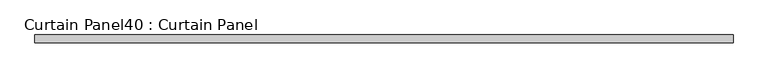
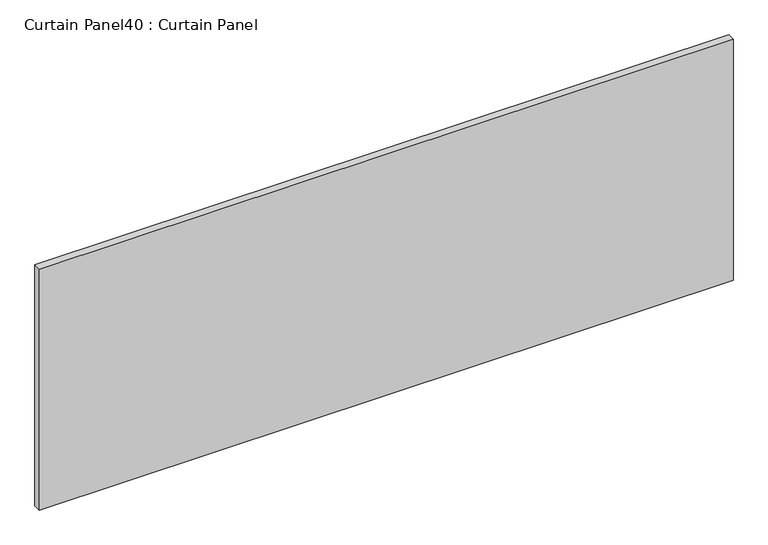
"""IFC4 building model written with IfcOpenShell, lengths in millimetres: plate geometry, Curtain Panel40 : Curtain Panel."""

from ifc_helpers import new_model, si_unit, frame, origin, place, context, project, spatial, polyline, outline, extrude, source, transform, mapped, element, save


def curtain_panel40_curtain_panel_f3ea5f21(model_context):
    return source(origin(), model_context, "Body", "SweptSolid", [
        extrude(outline(polyline([(-16503.9514736, 666.0938036), (-18777.2498086, 666.0938036), (-18777.2498086, 691.4938036), (-16503.9514736, 691.4938036), (-16503.9514736, 666.0938036)])), frame((0.0, 0.0, 224.7920728), z_axis=(0.0, 0.0, 1.0), x_axis=(1.0, 0.0, 0.0)), (0.0, 0.0, 1.0), 834.901375),
    ])


if __name__ == "__main__":
    model = new_model("IFC4")
    model_context = context("Model", 3, world=origin())
    ifc_project = project(units=[si_unit("LENGTHUNIT", "METRE", prefix="MILLI")], contexts=[model_context])
    site = spatial("IfcSite", under=ifc_project)
    building = spatial("IfcBuilding", under=site)
    placement = place(None, origin())
    curtain_panel40_curtain_panel_shape = curtain_panel40_curtain_panel_f3ea5f21(model_context)
    element("IfcPlate", 1, ObjectType="Curtain Panel40 : Curtain Panel", at=placement, inside=building, context=model_context, shape_type="MappedRepresentation", body=[
        mapped(curtain_panel40_curtain_panel_shape, transform((0.0, 0.0, 0.0), x_axis=(1.0, 0.0, 0.0), y_axis=(0.0, 1.0, 0.0), z_axis=(0.0, 0.0, 1.0))),
    ])
    save(model, "model.ifc")
